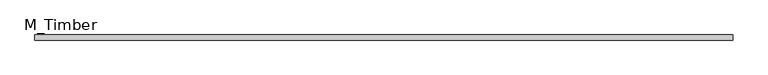
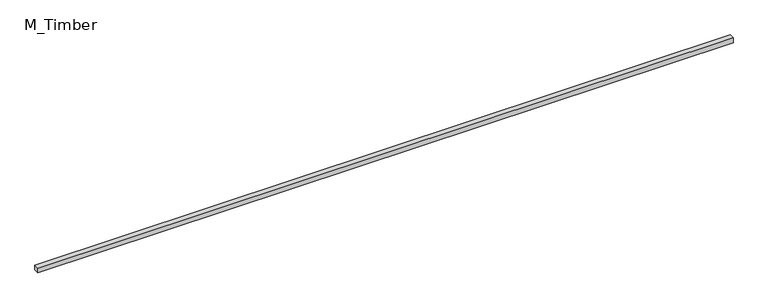
"""IFC4 building model written with IfcOpenShell, lengths in millimetres: beam geometry, M_Timber."""

from ifc_helpers import new_model, si_unit, frame, origin, place, context, project, spatial, polyline, outline, extrude, source, transform, mapped, element, save


def m_timber_b7a7ebc5(model_context):
    return source(origin(), model_context, "Body", "SweptSolid", [
        extrude(outline(polyline([(2705.1711737, 20.0), (2705.1711737, -20.0), (-2705.1711737, -20.0), (-2705.1711737, 20.0), (2705.1711737, 20.0)])), frame((0.0, 0.0, -20.0), z_axis=(0.0, 0.0, 1.0), x_axis=(1.0, 0.0, 0.0)), (0.0, 0.0, 1.0), 40.0),
    ])


if __name__ == "__main__":
    model = new_model("IFC4")
    model_context = context("Model", 3, world=origin())
    ifc_project = project(units=[si_unit("LENGTHUNIT", "METRE", prefix="MILLI")], contexts=[model_context])
    site = spatial("IfcSite", under=ifc_project)
    building = spatial("IfcBuilding", under=site)
    placement = place(None, origin())
    m_timber_shape = m_timber_b7a7ebc5(model_context)
    element("IfcBeam", 1, ObjectType="M_Timber", at=placement, inside=building, context=model_context, shape_type="MappedRepresentation", body=[
        mapped(m_timber_shape, transform((0.0, 0.0, 0.0), x_axis=(1.0, 0.0, 0.0), y_axis=(0.0, 1.0, 0.0), z_axis=(0.0, 0.0, 1.0))),
    ])
    save(model, "model.ifc")
